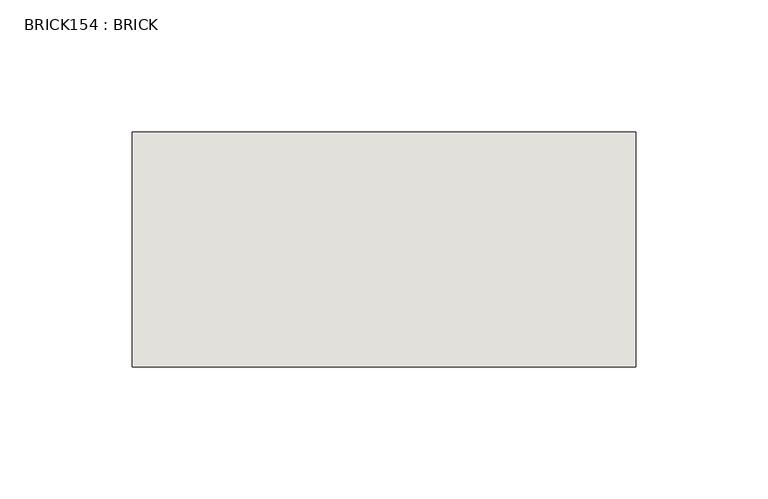
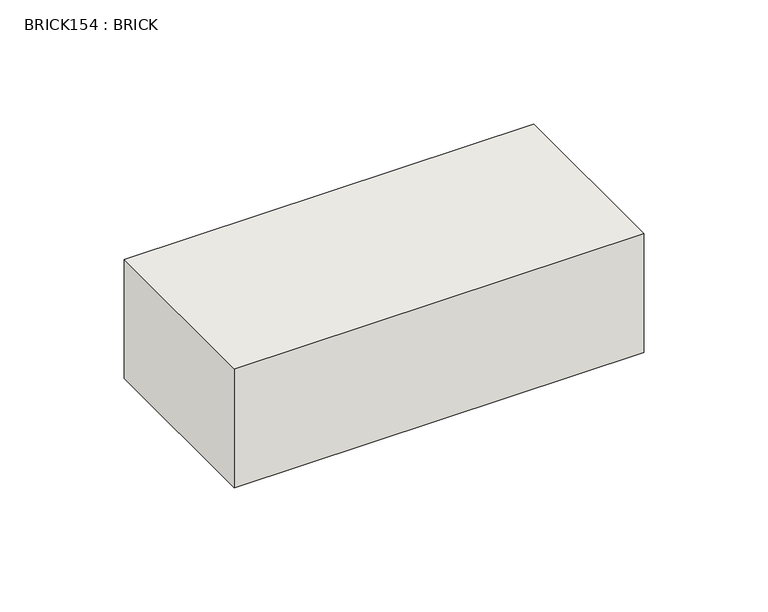
"""IFC4 building model written with IfcOpenShell, lengths in millimetres: wall geometry, BRICK154 : BRICK."""

from ifc_helpers import new_model, si_unit, frame, origin, place, context, project, spatial, polyline, outline, extrude, source, transform, mapped, element, save


def brick154_brick_54a79d72(model_context):
    return source(origin(), model_context, "Body", "SweptSolid", [
        extrude(outline(polyline([(-384.3469289, 2586.2274125), (-193.8469289, 2586.2274125), (-193.8469289, 2497.3274125), (-384.3469289, 2497.3274125), (-384.3469289, 2586.2274125)])), frame((0.0, 0.0, 74.3148438), z_axis=(0.0, 0.0, 1.0), x_axis=(1.0, 0.0, 0.0)), (0.0, 0.0, 1.0), 58.4398437),
    ])


if __name__ == "__main__":
    model = new_model("IFC4")
    model_context = context("Model", 3, world=origin())
    ifc_project = project(units=[si_unit("LENGTHUNIT", "METRE", prefix="MILLI")], contexts=[model_context])
    site = spatial("IfcSite", under=ifc_project)
    building = spatial("IfcBuilding", under=site)
    placement = place(None, origin())
    brick154_brick_shape = brick154_brick_54a79d72(model_context)
    element("IfcWall", 1, ObjectType="BRICK154 : BRICK", at=placement, inside=building, context=model_context, shape_type="MappedRepresentation", body=[
        mapped(brick154_brick_shape, transform((0.0, 0.0, 0.0), x_axis=(1.0, 0.0, 0.0), y_axis=(0.0, 1.0, 0.0), z_axis=(0.0, 0.0, 1.0))),
    ])
    save(model, "model.ifc")
